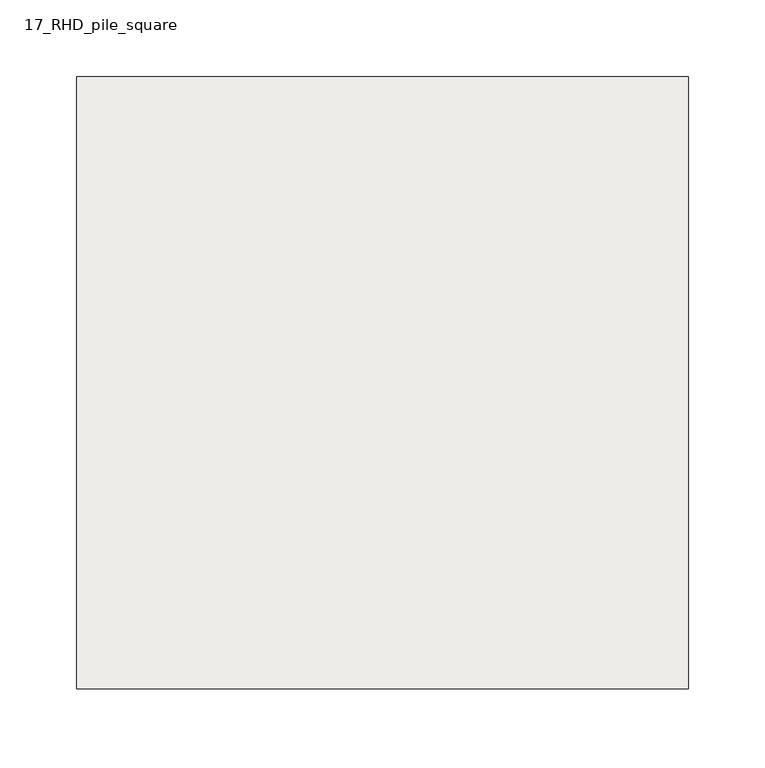
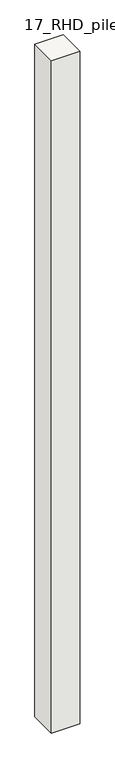
"""IFC4 building model written with IfcOpenShell, lengths in millimetres: slab geometry, 17_RHD_pile_square."""

from ifc_helpers import new_model, si_unit, frame, origin, place, context, project, spatial, polyline, outline, extrude, source, transform, mapped, element, save


def slab_17_rhd_pile_square_f0ec38c5(model_context):
    return source(origin(), model_context, "Body", "SweptSolid", [
        extrude(outline(polyline([(200.0, 200.0), (200.0, -200.0), (-200.0, -200.0), (-200.0, 200.0), (200.0, 200.0)])), frame((0.0, 0.0, -10000.0), z_axis=(0.0, 0.0, 1.0), x_axis=(1.0, 0.0, 0.0)), (0.0, 0.0, 1.0), 10000.0),
    ])


if __name__ == "__main__":
    model = new_model("IFC4")
    model_context = context("Model", 3, world=origin())
    ifc_project = project(units=[si_unit("LENGTHUNIT", "METRE", prefix="MILLI")], contexts=[model_context])
    site = spatial("IfcSite", under=ifc_project)
    building = spatial("IfcBuilding", under=site)
    placement = place(None, origin())
    slab_17_rhd_pile_square_shape = slab_17_rhd_pile_square_f0ec38c5(model_context)
    element("IfcSlab", 1, ObjectType="17_RHD_pile_square", at=placement, inside=building, context=model_context, shape_type="MappedRepresentation", body=[
        mapped(slab_17_rhd_pile_square_shape, transform((0.0, 0.0, 0.0), x_axis=(1.0, 0.0, 0.0), y_axis=(0.0, 1.0, 0.0), z_axis=(0.0, 0.0, 1.0))),
    ])
    save(model, "model.ifc")
